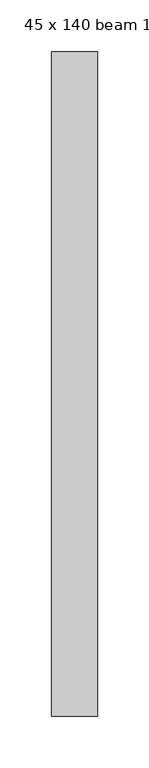
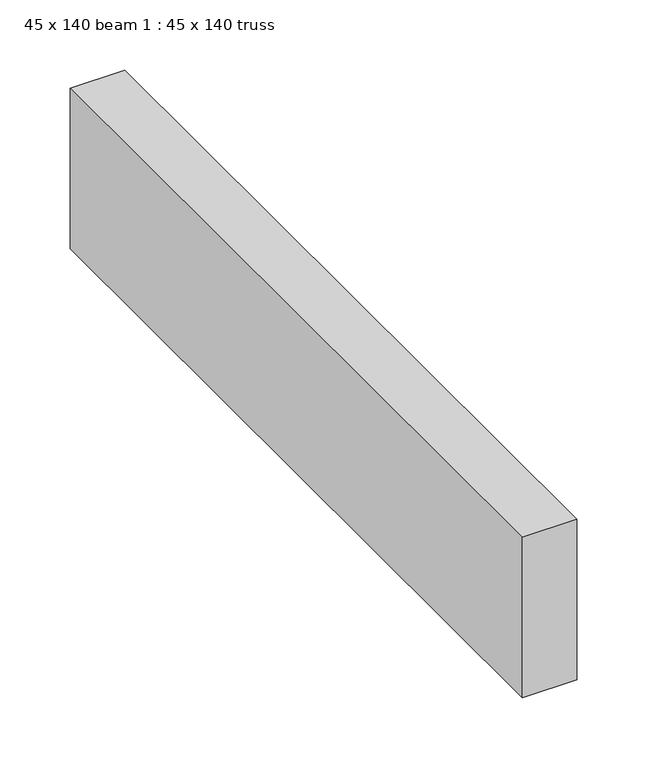
"""IFC4 building model written with IfcOpenShell, lengths in millimetres: proxy geometry, 45 x 140 beam 1 : 45 x 140 truss."""

from ifc_helpers import new_model, si_unit, frame, origin, place, context, project, spatial, polyline, outline, extrude, source, transform, mapped, element, save


def proxy_45_x_140_beam_1_45_x_140_truss_ad2eb4b5(model_context):
    return source(origin(), model_context, "Body", "SweptSolid", [
        extrude(outline(polyline([(-11597.1861291, -1346.7884221), (-11642.1861291, -1346.7884221), (-11642.1861291, -701.7884221), (-11597.1861291, -701.7884221), (-11597.1861291, -1346.7884221)])), frame((0.0, 0.0, 3644.2452806), z_axis=(0.0, 0.0, 1.0), x_axis=(1.0, 0.0, 0.0)), (0.0, 0.0, 1.0), 140.0),
    ])


if __name__ == "__main__":
    model = new_model("IFC4")
    model_context = context("Model", 3, world=origin())
    ifc_project = project(units=[si_unit("LENGTHUNIT", "METRE", prefix="MILLI")], contexts=[model_context])
    site = spatial("IfcSite", under=ifc_project)
    building = spatial("IfcBuilding", under=site)
    placement = place(None, origin())
    proxy_45_x_140_beam_1_45_x_140_truss_shape = proxy_45_x_140_beam_1_45_x_140_truss_ad2eb4b5(model_context)
    element("IfcBuildingElementProxy", 1, Name="45 x 140 beam 1 : 45 x 140 truss", ObjectType="45 x 140 beam 1 : 45 x 140 truss", at=placement, inside=building, context=model_context, shape_type="MappedRepresentation", body=[
        mapped(proxy_45_x_140_beam_1_45_x_140_truss_shape, transform((0.0, 0.0, 0.0), x_axis=(1.0, 0.0, 0.0), y_axis=(0.0, 1.0, 0.0), z_axis=(0.0, 0.0, 1.0))),
    ])
    save(model, "model.ifc")
